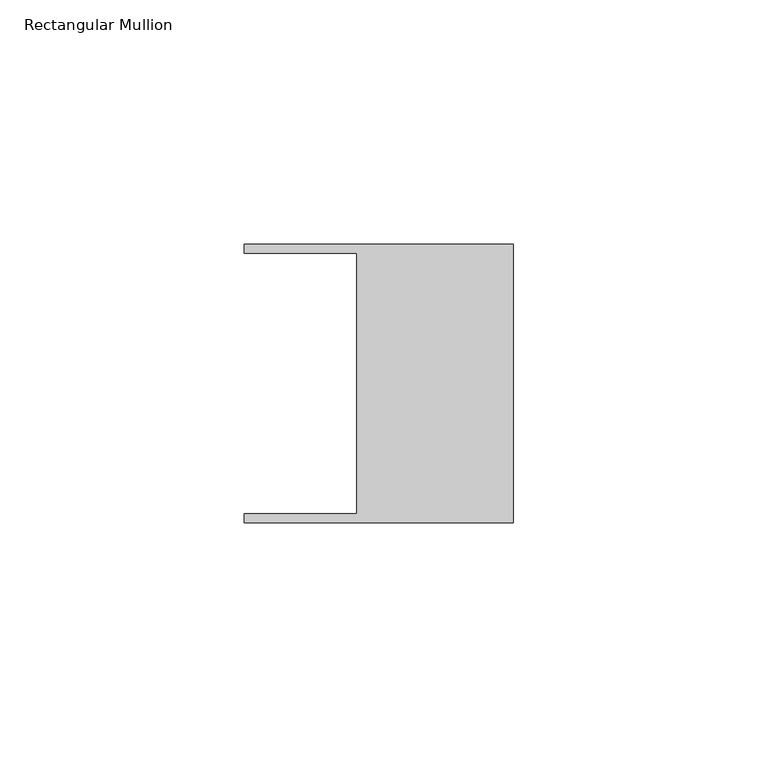
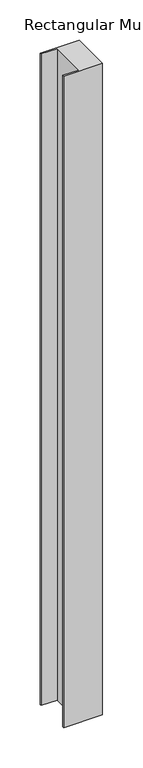
"""IFC4 building model written with IfcOpenShell, lengths in millimetres: member geometry, Rectangular Mullion."""

from ifc_helpers import new_model, si_unit, frame, origin, place, context, project, spatial, polyline, outline, extrude, source, transform, mapped, element, save


def rectangular_mullion_c96969b8(model_context):
    return source(origin(), model_context, "Body", "SweptSolid", [
        extrude(outline(polyline([(-32.004, -26.67), (-32.004, 26.67), (-54.991, 26.67), (-54.991, 28.448), (0.0, 28.448), (0.0, -28.448), (-54.991, -28.448), (-54.991, -26.67), (-32.004, -26.67)])), frame((0.0, 0.0, -982.1333333), z_axis=(0.0, 0.0, 1.0), x_axis=(1.0, 0.0, 0.0)), (0.0, 0.0, 1.0), 982.1333333),
    ])


if __name__ == "__main__":
    model = new_model("IFC4")
    model_context = context("Model", 3, world=origin())
    ifc_project = project(units=[si_unit("LENGTHUNIT", "METRE", prefix="MILLI")], contexts=[model_context])
    site = spatial("IfcSite", under=ifc_project)
    building = spatial("IfcBuilding", under=site)
    placement = place(None, origin())
    rectangular_mullion_shape = rectangular_mullion_c96969b8(model_context)
    element("IfcMember", 1, ObjectType="Rectangular Mullion", at=placement, inside=building, context=model_context, shape_type="MappedRepresentation", body=[
        mapped(rectangular_mullion_shape, transform((0.0, 0.0, 0.0), x_axis=(1.0, 0.0, 0.0), y_axis=(0.0, 1.0, 0.0), z_axis=(0.0, 0.0, 1.0))),
    ])
    save(model, "model.ifc")
